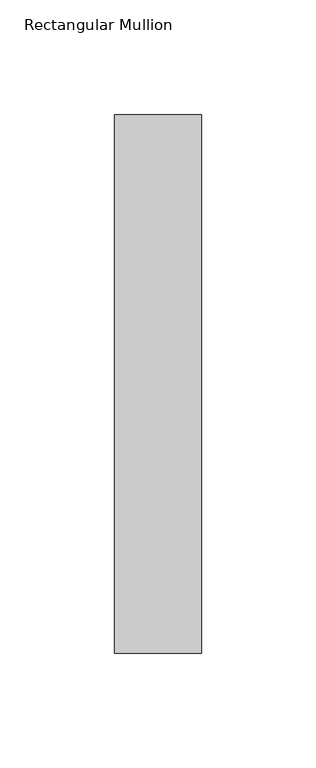
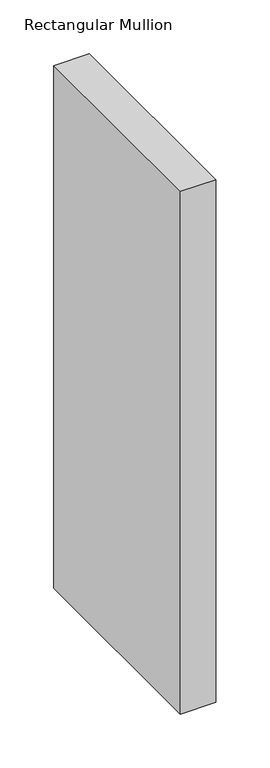
"""IFC4 building model written with IfcOpenShell, lengths in millimetres: member geometry, Rectangular Mullion."""

from ifc_helpers import new_model, si_unit, frame, origin, place, context, project, spatial, polyline, outline, extrude, source, transform, mapped, element, save


def rectangular_mullion_a893463c(model_context):
    return source(origin(), model_context, "Body", "SweptSolid", [
        extrude(outline(polyline([(0.0, 0.0), (0.0, -235.0), (-38.0, -235.0), (-38.0, 0.0), (0.0, 0.0)])), frame((0.0, 0.0, -592.3999999), z_axis=(0.0, 0.0, 1.0), x_axis=(1.0, 0.0, 0.0)), (0.0, 0.0, 1.0), 592.3999999),
    ])


if __name__ == "__main__":
    model = new_model("IFC4")
    model_context = context("Model", 3, world=origin())
    ifc_project = project(units=[si_unit("LENGTHUNIT", "METRE", prefix="MILLI")], contexts=[model_context])
    site = spatial("IfcSite", under=ifc_project)
    building = spatial("IfcBuilding", under=site)
    placement = place(None, origin())
    rectangular_mullion_shape = rectangular_mullion_a893463c(model_context)
    element("IfcMember", 1, ObjectType="Rectangular Mullion", at=placement, inside=building, context=model_context, shape_type="MappedRepresentation", body=[
        mapped(rectangular_mullion_shape, transform((0.0, 0.0, 0.0), x_axis=(1.0, 0.0, 0.0), y_axis=(0.0, 1.0, 0.0), z_axis=(0.0, 0.0, 1.0))),
    ])
    save(model, "model.ifc")
